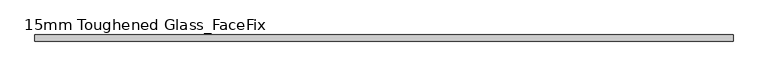
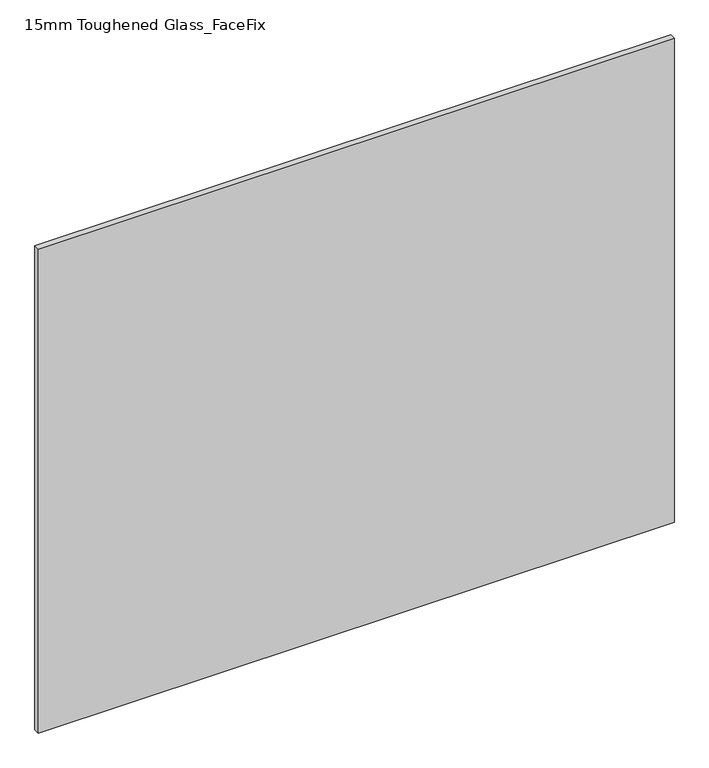
"""IFC4 building model written with IfcOpenShell, lengths in millimetres: plate geometry, 15mm Toughened Glass_FaceFix."""

from ifc_helpers import new_model, si_unit, origin, origin_with_axes, place, context, project, spatial, polyline, outline, extrude, source, transform, mapped, element, save


def plate_15mm_toughened_glass_facefix_702519ab(model_context):
    return source(origin(), model_context, "Body", "SweptSolid", [
        extrude(outline(polyline([(795.0000001, -24.5), (795.0000001, -39.5), (-795.0000001, -39.5), (-795.0000001, -24.5), (795.0000001, -24.5)])), origin_with_axes(), (0.0, 0.0, 1.0), 1279.0),
    ])


if __name__ == "__main__":
    model = new_model("IFC4")
    model_context = context("Model", 3, world=origin())
    ifc_project = project(units=[si_unit("LENGTHUNIT", "METRE", prefix="MILLI")], contexts=[model_context])
    site = spatial("IfcSite", under=ifc_project)
    building = spatial("IfcBuilding", under=site)
    placement = place(None, origin())
    plate_15mm_toughened_glass_facefix_shape = plate_15mm_toughened_glass_facefix_702519ab(model_context)
    element("IfcPlate", 1, ObjectType="15mm Toughened Glass_FaceFix", at=placement, inside=building, context=model_context, shape_type="MappedRepresentation", body=[
        mapped(plate_15mm_toughened_glass_facefix_shape, transform((0.0, 0.0, 0.0), x_axis=(1.0, 0.0, 0.0), y_axis=(0.0, 1.0, 0.0), z_axis=(0.0, 0.0, 1.0))),
    ])
    save(model, "model.ifc")
